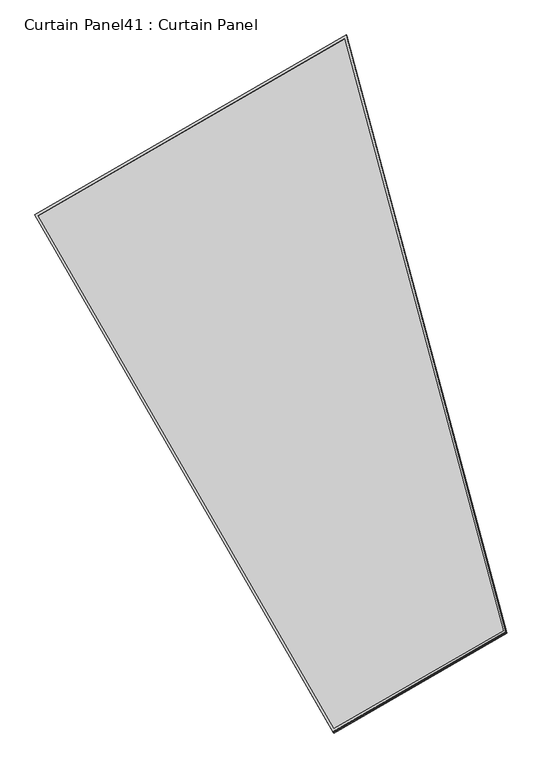
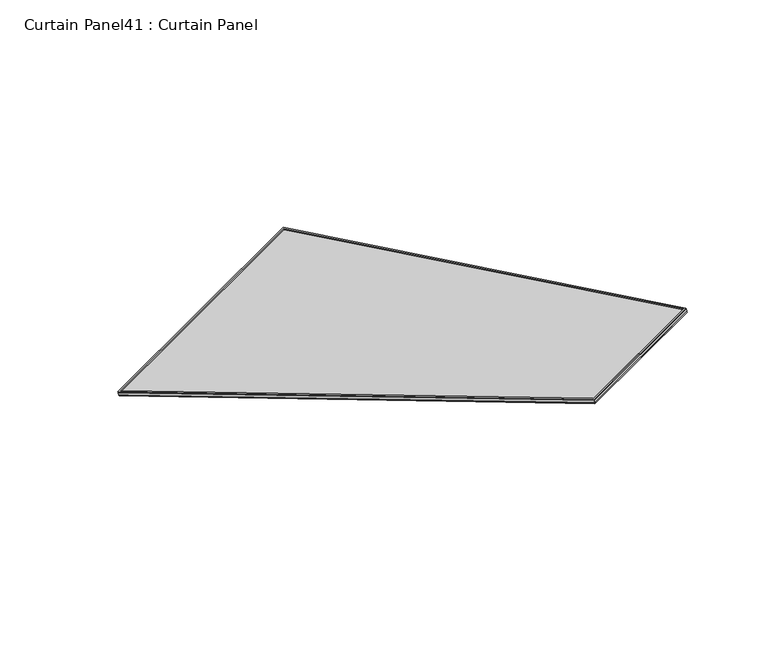
"""IFC4 building model written with IfcOpenShell, lengths in millimetres: plate geometry, Curtain Panel41 : Curtain Panel."""

from ifc_helpers import new_model, si_unit, frame, origin, place, context, project, spatial, polyline, outline, extrude, source, transform, mapped, element, save


def curtain_panel41_curtain_panel_179d56a0(model_context):
    return source(origin(), model_context, "Body", "SweptSolid", [
        extrude(outline(polyline([(903.3982323, -2842.2762641), (0.0, -2842.276264), (0.0, 0.0), (1625.9225981, -1e-07), (903.3982323, -2842.2762641)]), holes=[polyline([(1611.6318022, -11.1125), (11.1125, -11.1125), (11.1125, -2831.163764), (894.7571701, -2831.163764), (1611.6318022, -11.1125)])]), frame((8355.5407288, 9890.9151682, -25.8753228), z_axis=(-0.158072911986892, 0.27379031486166766, 0.9487106081329191), x_axis=(0.866025403784445, 0.4999999999999889, 0.0)), (0.0, 0.0, 1.0), 4.7666676),
        extrude(outline(polyline([(903.3982324, -2842.276264), (0.0, -2842.276264), (0.0, 0.0), (1625.9225981, 1e-07), (903.3982324, -2842.276264)]), holes=[polyline([(1611.6318022, -11.1125), (11.1125, -11.1125), (11.1125, -2831.163764), (894.7571702, -2831.163764), (1611.6318022, -11.1125)])]), frame((8352.7525193, 9895.7444887, -9.1412479), z_axis=(-0.15807291198690893, 0.2737903148616966, 0.948710608132908), x_axis=(0.8660254037844449, 0.4999999999999891, 0.0)), (0.0, 0.0, 1.0), 4.8300575),
        extrude(outline(polyline([(-596.6683727, 0.0), (1029.2542254, 0.0), (306.7298596, -2842.2762639), (-596.6683727, -2842.2762639), (-596.6683727, 0.0)])), frame((8871.5172162, 10190.5544219, -21.3531347), z_axis=(-0.15807291198689918, 0.27379031486168054, 0.9487106081329142), x_axis=(0.8660254037844448, 0.49999999999998934, 0.0)), (0.0, 0.0, 1.0), 12.8720884),
    ])


if __name__ == "__main__":
    model = new_model("IFC4")
    model_context = context("Model", 3, world=origin())
    ifc_project = project(units=[si_unit("LENGTHUNIT", "METRE", prefix="MILLI")], contexts=[model_context])
    site = spatial("IfcSite", under=ifc_project)
    building = spatial("IfcBuilding", under=site)
    placement = place(None, origin())
    curtain_panel41_curtain_panel_shape = curtain_panel41_curtain_panel_179d56a0(model_context)
    element("IfcPlate", 1, ObjectType="Curtain Panel41 : Curtain Panel", at=placement, inside=building, context=model_context, shape_type="MappedRepresentation", body=[
        mapped(curtain_panel41_curtain_panel_shape, transform((0.0, 0.0, 0.0), x_axis=(1.0, 0.0, 0.0), y_axis=(0.0, 1.0, 0.0), z_axis=(0.0, 0.0, 1.0))),
    ])
    save(model, "model.ifc")
